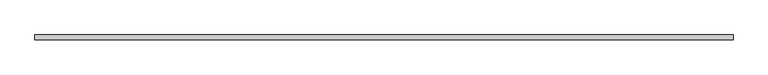
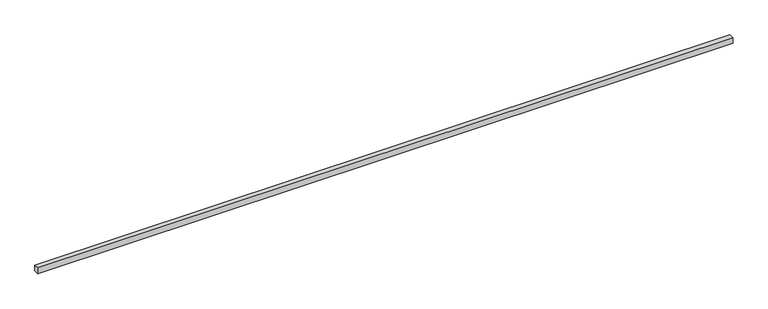
"""IFC4 building model written with IfcOpenShell, lengths in millimetres: proxy geometry."""

from ifc_helpers import new_model, si_unit, origin, origin_with_axes, place, context, project, spatial, polyline, outline, extrude, source, transform, mapped, element, save


def generic_models_86ade7a4(model_context):
    return source(origin(), model_context, "Body", "SweptSolid", [
        extrude(outline(polyline([(11416.6553505, -40.0), (0.0, -40.0), (0.0, 40.0), (11416.6553505, 40.0), (11416.6553505, -40.0)])), origin_with_axes(), (0.0, 0.0, 1.0), 100.0),
    ])


if __name__ == "__main__":
    model = new_model("IFC4")
    model_context = context("Model", 3, world=origin())
    ifc_project = project(units=[si_unit("LENGTHUNIT", "METRE", prefix="MILLI")], contexts=[model_context])
    site = spatial("IfcSite", under=ifc_project)
    building = spatial("IfcBuilding", under=site)
    placement = place(None, origin())
    generic_models_shape = generic_models_86ade7a4(model_context)
    element("IfcBuildingElementProxy", 1, Name="Generic Models", at=placement, inside=building, context=model_context, shape_type="MappedRepresentation", body=[
        mapped(generic_models_shape, transform((0.0, 0.0, 0.0), x_axis=(1.0, 0.0, 0.0), y_axis=(0.0, 1.0, 0.0), z_axis=(0.0, 0.0, 1.0))),
    ])
    save(model, "model.ifc")
